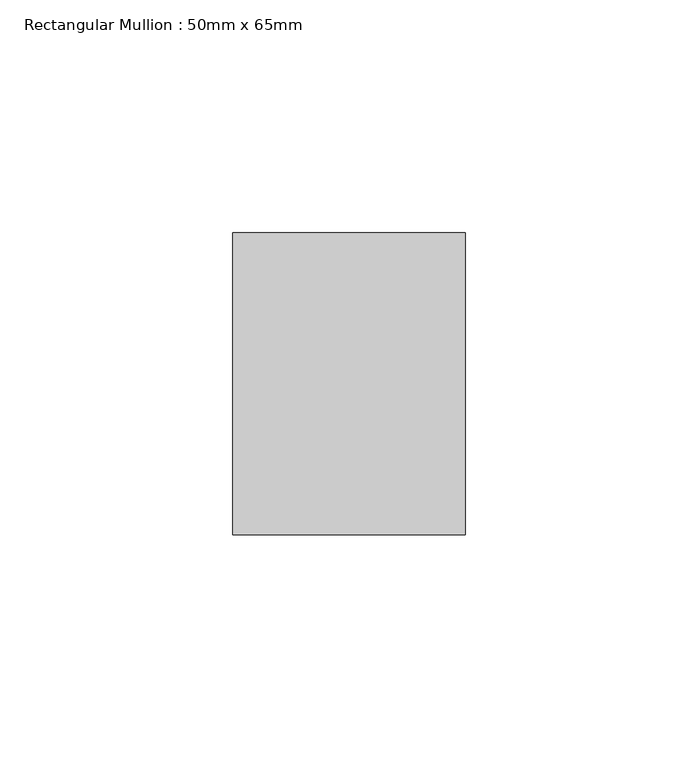
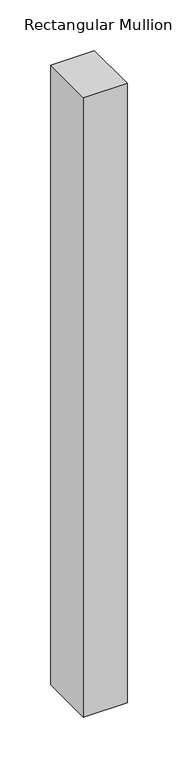
"""IFC4 building model written with IfcOpenShell, lengths in millimetres: member geometry, Rectangular Mullion : 50mm x 65mm."""

from ifc_helpers import new_model, si_unit, frame, origin, place, context, project, spatial, polyline, outline, extrude, source, transform, mapped, element, save


def rectangular_mullion_50mm_x_65mm_18b79660(model_context):
    return source(origin(), model_context, "Body", "SweptSolid", [
        extrude(outline(polyline([(25.0, 32.5), (25.0, -32.5), (-25.0, -32.5), (-25.0, 32.5), (25.0, 32.5)])), frame((0.0, 0.0, -748.3577803), z_axis=(0.0, 0.0, 1.0), x_axis=(1.0, 0.0, 0.0)), (0.0, 0.0, 1.0), 748.3577803),
    ])


if __name__ == "__main__":
    model = new_model("IFC4")
    model_context = context("Model", 3, world=origin())
    ifc_project = project(units=[si_unit("LENGTHUNIT", "METRE", prefix="MILLI")], contexts=[model_context])
    site = spatial("IfcSite", under=ifc_project)
    building = spatial("IfcBuilding", under=site)
    placement = place(None, origin())
    rectangular_mullion_50mm_x_65mm_shape = rectangular_mullion_50mm_x_65mm_18b79660(model_context)
    element("IfcMember", 1, ObjectType="Rectangular Mullion : 50mm x 65mm", at=placement, inside=building, context=model_context, shape_type="MappedRepresentation", body=[
        mapped(rectangular_mullion_50mm_x_65mm_shape, transform((0.0, 0.0, 0.0), x_axis=(1.0, 0.0, 0.0), y_axis=(0.0, 1.0, 0.0), z_axis=(0.0, 0.0, 1.0))),
    ])
    save(model, "model.ifc")
